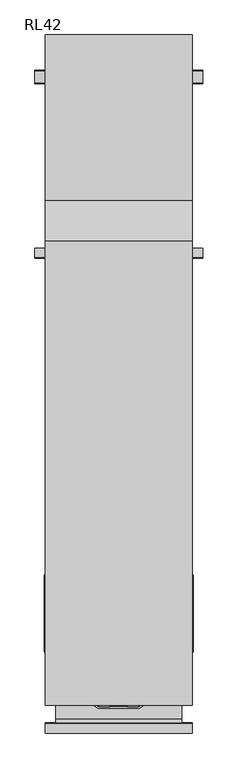
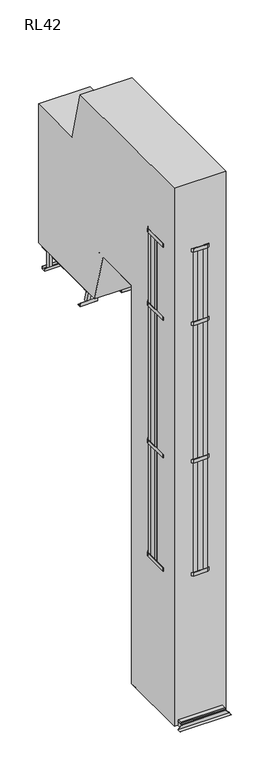
"""IFC4 building model written with IfcOpenShell, lengths in millimetres: proxy geometry, RL42."""

from ifc_helpers import new_model, si_unit, point, frame, frame_2d, origin, origin_with_axes, place, context, project, spatial, polyline, circle_curve, trimmed, segment, composite_curve, outline, extrude, faceted_brep, source, transform, mapped, element, save


def rl42_24e4b4f9(model_context):
    return source(origin(), model_context, "Body", "SolidModel", [
        extrude(outline(polyline([(300.5, -890.5), (-300.5, -890.5), (-300.5, 109.5), (300.5, 109.5), (300.5, -890.5)]), holes=[polyline([(262.5, 71.5), (-262.5, 71.5), (-262.5, -371.5), (262.5, -371.5), (262.5, 71.5)]), polyline([(262.5, -852.5), (262.5, -409.5), (-262.5, -409.5), (-262.5, -852.5), (262.5, -852.5)])]), origin_with_axes(), (0.0, 0.0, 1.0), 58.0),
        faceted_brep([(-350.5, 112.5, 3.0), (-350.5, 109.5, 3.0), (-303.5, 109.5, 50.0), (-303.5, 112.5, 50.0), (350.5, 109.5, 3.0), (350.5, 112.5, 3.0), (303.5, 112.5, 50.0), (303.5, 109.5, 50.0), (350.5, 159.5, 0.0), (350.5, 159.5, 3.0), (350.5, 109.5, 0.0), (-350.5, 159.5, 0.0), (-350.5, 109.5, 0.0), (-350.5, 159.5, 3.0)], [[[0, 1, 2, 3]], [[4, 5, 6, 7]], [[8, 9, 5, 4, 10]], [[11, 12, 1, 0, 13]], [[9, 8, 11, 13]], [[5, 9, 13, 0]], [[5, 0, 3, 6]], [[6, 3, 2, 7]], [[12, 10, 4, 7, 2, 1]], [[8, 10, 12, 11]]]),
        faceted_brep([(-350.5, -890.5, 3.0), (-350.5, -893.5, 3.0), (-303.5, -893.5, 50.0), (-303.5, -890.5, 50.0), (350.5, -893.5, 3.0), (350.5, -890.5, 3.0), (303.5, -890.5, 50.0), (303.5, -893.5, 50.0), (350.5, -940.5, 0.0), (350.5, -890.5, 0.0), (350.5, -940.5, 3.0), (-350.5, -940.5, 0.0), (-350.5, -940.5, 3.0), (-350.5, -890.5, 0.0)], [[[0, 1, 2, 3]], [[4, 5, 6, 7]], [[8, 9, 5, 4, 10]], [[11, 12, 1, 0, 13]], [[9, 8, 11, 13]], [[9, 13, 0, 3, 6, 5]], [[6, 3, 2, 7]], [[1, 4, 7, 2]], [[10, 4, 1, 12]], [[8, 10, 12, 11]]]),
        extrude(outline(polyline([(300.5, 91.5), (300.5, -872.5), (-300.5, -872.5), (-300.5, 91.5), (300.5, 91.5)])), frame((0.0, 0.0, 58.0), z_axis=(0.0, 0.0, 1.0), x_axis=(1.0, 0.0, 0.0)), (0.0, 0.0, 1.0), 18.5),
        extrude(outline(polyline([(300.5, -872.5), (300.5, -890.5), (-300.5, -890.5), (-300.5, -872.5), (300.5, -872.5)])), frame((0.0, 0.0, 58.0), z_axis=(0.0, 0.0, 1.0), x_axis=(1.0, 0.0, 0.0)), (0.0, 0.0, 1.0), 18.5),
        extrude(outline(polyline([(300.5, 109.5), (300.5, 91.5), (-300.5, 91.5), (-300.5, 109.5), (300.5, 109.5)])), frame((0.0, 0.0, 58.0), z_axis=(0.0, 0.0, 1.0), x_axis=(1.0, 0.0, 0.0)), (0.0, 0.0, 1.0), 18.5),
        extrude(outline(polyline([(250.0, 1304.8694762), (250.0, 1286.8694762), (-250.0, 1286.8694762), (-250.0, 1304.8694762), (250.0, 1304.8694762)])), frame((0.0, 0.0, 4981.5), z_axis=(0.0, 0.0, 1.0), x_axis=(1.0, 0.0, 0.0)), (0.0, 0.0, 1.0), 18.5),
        extrude(outline(polyline([(300.5, 1491.1194762), (300.5, 1472.6194762), (-300.5, 1472.6194762), (-300.5, 1491.1194762), (300.5, 1491.1194762)])), frame((0.0, 0.0, 4981.5), z_axis=(0.0, 0.0, 1.0), x_axis=(1.0, 0.0, 0.0)), (0.0, 0.0, 1.0), 18.5),
        extrude(outline(polyline([(250.0, 1472.6194762), (250.0, 1304.8694762), (-250.0, 1304.8694762), (-250.0, 1472.6194762), (250.0, 1472.6194762)])), frame((0.0, 0.0, 4981.5), z_axis=(0.0, 0.0, 1.0), x_axis=(1.0, 0.0, 0.0)), (0.0, 0.0, 1.0), 18.5),
        extrude(outline(polyline([(-262.5, 1360.0196058), (-300.5, 1360.0196058), (-300.5, 2391.8694762), (-262.5, 2391.8694762), (-262.5, 1360.0196058)])), frame((0.0, 0.0, 4923.5), z_axis=(0.0, 0.0, 1.0), x_axis=(1.0, 0.0, 0.0)), (0.0, 0.0, 1.0), 58.0),
        extrude(outline(polyline([(300.5, 1360.0196058), (262.5, 1360.0196058), (262.5, 2391.8694762), (300.5, 2391.8694762), (300.5, 1360.0196058)])), frame((0.0, 0.0, 4923.5), z_axis=(0.0, 0.0, 1.0), x_axis=(1.0, 0.0, 0.0)), (0.0, 0.0, 1.0), 58.0),
        extrude(outline(polyline([(338.5, 2220.8694762), (338.5, 2162.8694762), (300.5, 2162.8694762), (300.5, 2220.8694762), (338.5, 2220.8694762)])), frame((0.0, 0.0, 4753.0), z_axis=(0.0, 0.0, 1.0), x_axis=(1.0, 0.0, 0.0)), (0.0, 0.0, 1.0), 240.0),
        extrude(outline(polyline([(-300.5, 2220.8694762), (-300.5, 2162.8694762), (-338.5, 2162.8694762), (-338.5, 2220.8694762), (-300.5, 2220.8694762)])), frame((0.0, 0.0, 4753.0), z_axis=(0.0, 0.0, 1.0), x_axis=(1.0, 0.0, 0.0)), (0.0, 0.0, 1.0), 240.0),
        extrude(outline(polyline([(300.5, 2391.8694762), (300.5, 2373.3694762), (-300.5, 2373.3694762), (-300.5, 2391.8694762), (300.5, 2391.8694762)])), frame((0.0, 0.0, 4981.5), z_axis=(0.0, 0.0, 1.0), x_axis=(1.0, 0.0, 0.0)), (0.0, 0.0, 1.0), 18.5),
        extrude(outline(polyline([(2221.3694762, 4788.0), (2224.3694762, 4788.0), (2224.3694762, 4750.0), (2159.3694762, 4750.0), (2159.3694762, 4788.0), (2162.3694762, 4788.0), (2162.3694762, 4753.0), (2221.3694762, 4753.0), (2221.3694762, 4788.0)])), frame((-400.5, 0.0, 0.0), z_axis=(1.0, 0.0, 0.0), x_axis=(0.0, 1.0, 0.0)), (0.0, 0.0, 1.0), 801.0),
        extrude(outline(polyline([(300.5, 2372.8694762), (300.5, 1491.1194762), (-300.5, 1491.1194762), (-300.5, 2372.8694762), (300.5, 2372.8694762)])), frame((0.0, 0.0, 4981.5), z_axis=(0.0, 0.0, 1.0), x_axis=(1.0, 0.0, 0.0)), (0.0, 0.0, 1.0), 18.5),
        extrude(outline(composite_curve([segment(trimmed(circle_curve(frame_2d((1389.0731956, 4933.5)), 6.0), [point((1395.0731956, 4933.5))], [point((1389.0731956, 4927.5))], False, "CARTESIAN"), True, "CONTINUOUS"), segment(polyline([(1389.0731956, 4927.5), (1340.0196058, 4927.5)]), True, "CONTINUOUS"), segment(trimmed(circle_curve(frame_2d((1340.0196058, 4952.5)), 25.0), [point((1340.0196058, 4927.5))], [point((1340.0196058, 4977.5))], False, "CARTESIAN"), True, "CONTINUOUS"), segment(polyline([(1340.0196058, 4977.5), (1389.0731956, 4977.5)]), True, "CONTINUOUS"), segment(trimmed(circle_curve(frame_2d((1389.0731956, 4971.5)), 6.0), [point((1389.0731956, 4977.5))], [point((1395.0731956, 4971.5))], False, "CARTESIAN"), True, "CONTINUOUS"), segment(polyline([(1395.0731956, 4971.5), (1395.0731956, 4933.5)]), True, "CONTINUOUS")], self_intersect=False)), frame((-306.5, 0.0, 0.0), z_axis=(1.0, 0.0, 0.0), x_axis=(0.0, 1.0, 0.0)), (0.0, 0.0, 1.0), 6.0),
        extrude(outline(composite_curve([segment(trimmed(circle_curve(frame_2d((1389.0731956, 4933.5)), 6.0), [point((1395.0731956, 4933.5))], [point((1389.0731956, 4927.5))], False, "CARTESIAN"), True, "CONTINUOUS"), segment(polyline([(1389.0731956, 4927.5), (1340.0196058, 4927.5)]), True, "CONTINUOUS"), segment(trimmed(circle_curve(frame_2d((1340.0196058, 4952.5)), 25.0), [point((1340.0196058, 4927.5))], [point((1340.0196058, 4977.5))], False, "CARTESIAN"), True, "CONTINUOUS"), segment(polyline([(1340.0196058, 4977.5), (1389.0731956, 4977.5)]), True, "CONTINUOUS"), segment(trimmed(circle_curve(frame_2d((1389.0731956, 4971.5)), 6.0), [point((1389.0731956, 4977.5))], [point((1395.0731956, 4971.5))], False, "CARTESIAN"), True, "CONTINUOUS"), segment(polyline([(1395.0731956, 4971.5), (1395.0731956, 4933.5)]), True, "CONTINUOUS")], self_intersect=False)), frame((300.5, 0.0, 0.0), z_axis=(1.0, 0.0, 0.0), x_axis=(0.0, 1.0, 0.0)), (0.0, 0.0, 1.0), 6.0),
        extrude(outline(polyline([(262.5, 1534.8694762), (262.5, 1476.8694762), (-262.5, 1476.8694762), (-262.5, 1534.8694762), (262.5, 1534.8694762)])), frame((0.0, 0.0, 4943.5), z_axis=(0.0, 0.0, 1.0), x_axis=(1.0, 0.0, 0.0)), (0.0, 0.0, 1.0), 38.0),
        extrude(outline(polyline([(262.5, 1958.8694762), (262.5, 1900.8694762), (-262.5, 1900.8694762), (-262.5, 1958.8694762), (262.5, 1958.8694762)])), frame((0.0, 0.0, 4943.5), z_axis=(0.0, 0.0, 1.0), x_axis=(1.0, 0.0, 0.0)), (0.0, 0.0, 1.0), 38.0),
        extrude(outline(polyline([(262.5, 2381.8694762), (262.5, 2323.8694762), (-262.5, 2323.8694762), (-262.5, 2381.8694762), (262.5, 2381.8694762)])), frame((0.0, 0.0, 4943.5), z_axis=(0.0, 0.0, 1.0), x_axis=(1.0, 0.0, 0.0)), (0.0, 0.0, 1.0), 38.0),
        extrude(outline(composite_curve([segment(polyline([(1212.725111, 5428.6438625), (1169.2584488, 5416.9970054), (1164.8585251, 5433.4177445)]), True, "CONTINUOUS"), segment(trimmed(circle_curve(frame_2d((1189.9490378, 5426.7120005)), 25.9711538), [point((1164.8585251, 5433.4177445))], [point((1208.3251872, 5445.0646015))], False, "CARTESIAN"), True, "CONTINUOUS"), segment(polyline([(1208.3251872, 5445.0646015), (1212.725111, 5428.6438625)]), True, "CONTINUOUS")], self_intersect=False)), frame((-262.5, 0.0, 0.0), z_axis=(1.0, 0.0, 0.0), x_axis=(0.0, 1.0, 0.0)), (0.0, 0.0, 1.0), 525.0),
        extrude(outline(composite_curve([segment(polyline([(1285.9293103, 5155.4420712), (1242.4626482, 5143.7952142), (1238.0627244, 5160.2159532)]), True, "CONTINUOUS"), segment(trimmed(circle_curve(frame_2d((1263.1532371, 5153.5102093)), 25.9711538), [point((1238.0627244, 5160.2159532))], [point((1281.5293866, 5171.8628103))], False, "CARTESIAN"), True, "CONTINUOUS"), segment(polyline([(1281.5293866, 5171.8628103), (1285.9293103, 5155.4420712)]), True, "CONTINUOUS")], self_intersect=False)), frame((-262.5, 0.0, 0.0), z_axis=(1.0, 0.0, 0.0), x_axis=(0.0, 1.0, 0.0)), (0.0, 0.0, 1.0), 525.0),
        extrude(outline(composite_curve([segment(polyline([(1139.5209117, 5701.8456537), (1096.0542495, 5690.1987967), (1091.6543257, 5706.6195357)]), True, "CONTINUOUS"), segment(trimmed(circle_curve(frame_2d((1116.7448385, 5699.9137918)), 25.9711538), [point((1091.6543257, 5706.6195357))], [point((1135.1209879, 5718.2663928))], False, "CARTESIAN"), True, "CONTINUOUS"), segment(polyline([(1135.1209879, 5718.2663928), (1139.5209117, 5701.8456537)]), True, "CONTINUOUS")], self_intersect=False)), frame((-262.5, 0.0, 0.0), z_axis=(1.0, 0.0, 0.0), x_axis=(0.0, 1.0, 0.0)), (0.0, 0.0, 1.0), 525.0),
        extrude(outline(composite_curve([segment(polyline([(1359.1335097, 4882.24028), (1315.6668475, 4870.5934229), (1311.2669237, 4887.014162)]), True, "CONTINUOUS"), segment(trimmed(circle_curve(frame_2d((1336.3574365, 4880.308418)), 25.9711538), [point((1311.2669237, 4887.014162))], [point((1354.7335859, 4898.661019))], False, "CARTESIAN"), True, "CONTINUOUS"), segment(polyline([(1354.7335859, 4898.661019), (1359.1335097, 4882.24028)]), True, "CONTINUOUS")], self_intersect=False)), frame((-262.5, 0.0, 0.0), z_axis=(1.0, 0.0, 0.0), x_axis=(0.0, 1.0, 0.0)), (0.0, 0.0, 1.0), 525.0),
        extrude(outline(polyline([(-38.0, 0.0), (0.0, 0.0), (0.0, -58.0000001), (-38.0, -58.0000001), (-38.0, 0.0)])), frame((-262.5, 1396.470313, 4768.0115046), z_axis=(0.0, -0.258819045102523, 0.9659258262890678), x_axis=(1.0, 0.0, 0.0)), (0.0, 0.0, 1.0), 2048.5179208),
        extrude(outline(polyline([(-38.0, 0.0), (0.0, 0.0), (0.0, -58.0000001), (-38.0, -58.0000001), (-38.0, 0.0)])), frame((300.5, 1396.470313, 4768.0115046), z_axis=(0.0, -0.258819045102523, 0.9659258262890678), x_axis=(1.0, 0.0, 0.0)), (0.0, 0.0, 1.0), 2048.5179208),
        extrude(outline(composite_curve([segment(polyline([(1044.4694194, 5658.8687928), (1044.4694194, 5696.8687928)]), True, "CONTINUOUS"), segment(trimmed(circle_curve(frame_2d((1050.4694194, 5696.8687928)), 6.0), [point((1044.4694194, 5696.8687928))], [point((1050.4694194, 5702.8687928))], False, "CARTESIAN"), True, "CONTINUOUS"), segment(polyline([(1050.4694194, 5702.8687928), (1099.5230092, 5702.8687928)]), True, "CONTINUOUS"), segment(trimmed(circle_curve(frame_2d((1099.5230092, 5677.8687928)), 25.0), [point((1099.5230092, 5702.8687928))], [point((1099.5230092, 5652.8687928))], False, "CARTESIAN"), True, "CONTINUOUS"), segment(polyline([(1099.5230092, 5652.8687928), (1050.4694194, 5652.8687928)]), True, "CONTINUOUS"), segment(trimmed(circle_curve(frame_2d((1050.4694194, 5658.8687928)), 6.0), [point((1050.4694194, 5652.8687928))], [point((1044.4694194, 5658.8687928))], False, "CARTESIAN"), True, "CONTINUOUS")], self_intersect=False)), frame((-306.0, 0.0, 0.0), z_axis=(1.0, 0.0, 0.0), x_axis=(0.0, 1.0, 0.0)), (0.0, 0.0, 1.0), 6.0),
        extrude(outline(composite_curve([segment(trimmed(circle_curve(frame_2d((1050.4694194, 5696.8687928)), 6.0), [point((1044.4694194, 5696.8687928))], [point((1050.4694194, 5702.8687928))], False, "CARTESIAN"), True, "CONTINUOUS"), segment(polyline([(1050.4694194, 5702.8687928), (1099.5230092, 5702.8687928)]), True, "CONTINUOUS"), segment(trimmed(circle_curve(frame_2d((1099.5230092, 5677.8687928)), 25.0), [point((1099.5230092, 5702.8687928))], [point((1099.5230092, 5652.8687928))], False, "CARTESIAN"), True, "CONTINUOUS"), segment(polyline([(1099.5230092, 5652.8687928), (1050.4694194, 5652.8687928)]), True, "CONTINUOUS"), segment(trimmed(circle_curve(frame_2d((1050.4694194, 5658.8687928)), 6.0), [point((1050.4694194, 5652.8687928))], [point((1044.4694194, 5658.8687928))], False, "CARTESIAN"), True, "CONTINUOUS"), segment(polyline([(1044.4694194, 5658.8687928), (1044.4694194, 5696.8687928)]), True, "CONTINUOUS")], self_intersect=False)), frame((300.0, 0.0, 0.0), z_axis=(1.0, 0.0, 0.0), x_axis=(0.0, 1.0, 0.0)), (0.0, 0.0, 1.0), 6.0),
        extrude(outline(composite_curve([segment(trimmed(circle_curve(frame_2d((-20.0, 5677.8687928)), 25.0), [point((-20.0, 5652.8687928))], [point((-20.0, 5702.8687928))], False, "CARTESIAN"), True, "CONTINUOUS"), segment(polyline([(-20.0, 5702.8687928), (29.0535898, 5702.8687928)]), True, "CONTINUOUS"), segment(trimmed(circle_curve(frame_2d((29.0535898, 5696.8687928)), 6.0), [point((29.0535898, 5702.8687928))], [point((35.0535898, 5696.8687928))], False, "CARTESIAN"), True, "CONTINUOUS"), segment(polyline([(35.0535898, 5696.8687928), (35.0535898, 5658.8687928)]), True, "CONTINUOUS"), segment(trimmed(circle_curve(frame_2d((29.0535898, 5658.8687928)), 6.0), [point((35.0535898, 5658.8687928))], [point((29.0535898, 5652.8687928))], False, "CARTESIAN"), True, "CONTINUOUS"), segment(polyline([(29.0535898, 5652.8687928), (-20.0, 5652.8687928)]), True, "CONTINUOUS")], self_intersect=False)), frame((-306.0, 0.0, 0.0), z_axis=(1.0, 0.0, 0.0), x_axis=(0.0, 1.0, 0.0)), (0.0, 0.0, 1.0), 6.0),
        extrude(outline(composite_curve([segment(trimmed(circle_curve(frame_2d((-20.0, 5677.8687928)), 25.0), [point((-20.0, 5652.8687928))], [point((-20.0, 5702.8687928))], False, "CARTESIAN"), True, "CONTINUOUS"), segment(polyline([(-20.0, 5702.8687928), (29.0535898, 5702.8687928)]), True, "CONTINUOUS"), segment(trimmed(circle_curve(frame_2d((29.0535898, 5696.8687928)), 6.0), [point((29.0535898, 5702.8687928))], [point((35.0535898, 5696.8687928))], False, "CARTESIAN"), True, "CONTINUOUS"), segment(polyline([(35.0535898, 5696.8687928), (35.0535898, 5658.8687928)]), True, "CONTINUOUS"), segment(trimmed(circle_curve(frame_2d((29.0535898, 5658.8687928)), 6.0), [point((35.0535898, 5658.8687928))], [point((29.0535898, 5652.8687928))], False, "CARTESIAN"), True, "CONTINUOUS"), segment(polyline([(29.0535898, 5652.8687928), (-20.0, 5652.8687928)]), True, "CONTINUOUS")], self_intersect=False)), frame((300.0, 0.0, 0.0), z_axis=(1.0, 0.0, 0.0), x_axis=(0.0, 1.0, 0.0)), (0.0, 0.0, 1.0), 6.0),
        extrude(outline(polyline([(-300.0, 30.0), (-300.0, 48.4), (300.0, 48.4), (300.0, 30.0), (-300.0, 30.0)])), frame((0.0, 0.0, 5706.5), z_axis=(0.0, 0.0, 1.0), x_axis=(1.0, 0.0, 0.0)), (0.0, 0.0, 1.0), 18.5),
        extrude(outline(polyline([(-300.0, 986.1290032), (-300.0, 1004.5290032), (300.0, 1004.5290032), (300.0, 986.1290032), (-300.0, 986.1290032)])), frame((0.0, 0.0, 5706.5), z_axis=(0.0, 0.0, 1.0), x_axis=(1.0, 0.0, 0.0)), (0.0, 0.0, 1.0), 18.5),
        extrude(outline(polyline([(1374.853003, 4753.0), (1374.853003, 4750.0), (1324.853003, 4750.0), (1324.853003, 4800.0), (1327.853003, 4800.0), (1327.853003, 4753.0), (1374.853003, 4753.0)])), frame((-400.5, 0.0, 0.0), z_axis=(1.0, 0.0, 0.0), x_axis=(0.0, 1.0, 0.0)), (0.0, 0.0, 1.0), 238.0),
        extrude(outline(polyline([(1374.853003, 4753.0), (1374.853003, 4750.0), (1324.853003, 4750.0), (1324.853003, 4800.0), (1327.853003, 4800.0), (1327.853003, 4753.0), (1374.853003, 4753.0)])), frame((162.5, 0.0, 0.0), z_axis=(1.0, 0.0, 0.0), x_axis=(0.0, 1.0, 0.0)), (0.0, 0.0, 1.0), 238.0),
        extrude(outline(polyline([(300.0, 0.0), (262.0, 0.0), (262.0, 947.9025997), (300.0, 947.9025997), (300.0, 0.0)])), frame((0.0, 0.0, 6160.9942094), z_axis=(0.0, 0.0, 1.0), x_axis=(1.0, 0.0, 0.0)), (0.0, 0.0, 1.0), 57.0),
        extrude(outline(polyline([(300.0, 0.0), (262.0, 0.0), (262.0, 812.0508076), (300.0, 812.0508076), (300.0, 0.0)])), frame((0.0, 0.0, 6668.0), z_axis=(0.0, 0.0, 1.0), x_axis=(1.0, 0.0, 0.0)), (0.0, 0.0, 1.0), 57.0),
        extrude(outline(polyline([(-262.0, 0.0), (-300.0, 0.0), (-300.0, 812.0508076), (-262.0, 812.0508076), (-262.0, 0.0)])), frame((0.0, 0.0, 6668.0), z_axis=(0.0, 0.0, 1.0), x_axis=(1.0, 0.0, 0.0)), (0.0, 0.0, 1.0), 57.0),
        extrude(outline(polyline([(-262.0, 0.0), (-300.0, 0.0), (-300.0, 947.9025997), (-262.0, 947.9025997), (-262.0, 0.0)])), frame((0.0, 0.0, 6160.9942094), z_axis=(0.0, 0.0, 1.0), x_axis=(1.0, 0.0, 0.0)), (0.0, 0.0, 1.0), 57.0),
        extrude(outline(polyline([(-300.0, 986.1290032), (300.0, 986.1290032), (300.0, 48.4), (-300.0, 48.4), (-300.0, 986.1290032)])), frame((0.0, 0.0, 5706.5), z_axis=(0.0, 0.0, 1.0), x_axis=(1.0, 0.0, 0.0)), (0.0, 0.0, 1.0), 18.5),
        extrude(outline(polyline([(262.0, 1079.5230092), (300.0, 1079.5230092), (300.0, 0.0), (-300.0, 0.0), (-300.0, 1079.5230092), (-262.0, 1079.5230092), (-262.0, 38.0), (262.0, 38.0), (262.0, 1079.5230092)])), frame((0.0, 0.0, 5649.2375855), z_axis=(0.0, 0.0, 1.0), x_axis=(1.0, 0.0, 0.0)), (0.0, 0.0, 1.0), 57.2624145),
        extrude(outline(polyline([(-262.0, 933.7615046), (-262.0, 991.7615046), (262.0, 991.7615046), (262.0, 933.7615046), (-262.0, 933.7615046)])), frame((0.0, 0.0, 5668.5), z_axis=(0.0, 0.0, 1.0), x_axis=(1.0, 0.0, 0.0)), (0.0, 0.0, 1.0), 38.0),
        extrude(outline(polyline([(-262.0, 510.7615046), (-262.0, 568.7615046), (262.0, 568.7615046), (262.0, 510.7615046), (-262.0, 510.7615046)])), frame((0.0, 0.0, 5668.5), z_axis=(0.0, 0.0, 1.0), x_axis=(1.0, 0.0, 0.0)), (0.0, 0.0, 1.0), 38.0),
        extrude(outline(polyline([(-350.5, -400.6413289), (-350.5, -350.6413289), (-338.5, -350.6413289), (-338.5, -400.6413289), (-350.5, -400.6413289)])), frame((0.0, 0.0, 2076.5), z_axis=(0.0, 0.0, 1.0), x_axis=(1.0, 0.0, 0.0)), (0.0, 0.0, 1.0), 4698.5),
        extrude(outline(polyline([(-350.5, -245.5), (-350.5, -195.5), (-338.5, -195.5), (-338.5, -245.5), (-350.5, -245.5)])), frame((0.0, 0.0, 2076.5), z_axis=(0.0, 0.0, 1.0), x_axis=(1.0, 0.0, 0.0)), (0.0, 0.0, 1.0), 4698.5),
        extrude(outline(polyline([(-100.0, -822.5), (-250.5, -722.5), (-356.5, -552.5), (-356.5, -188.7646621), (-306.0, -108.7646621), (-306.0, -5.5), (-300.0, -5.5), (-300.0, -110.5), (-350.5, -190.5), (-350.5, -550.7826578), (-246.0965631, -718.2221321), (-98.1883719, -816.5), (98.1883719, -816.5), (246.0965631, -718.2221321), (350.5, -550.7826578), (350.5, -190.5), (300.0, -110.5), (300.0, -5.5), (306.0, -5.5), (306.0, -108.7646621), (356.5, -188.7646621), (356.5, -552.5), (250.5, -722.5), (100.0, -822.5), (-100.0, -822.5)])), frame((0.0, 0.0, 3700.75), z_axis=(0.0, 0.0, 1.0), x_axis=(1.0, 0.0, 0.0)), (0.0, 0.0, 1.0), 50.0),
        extrude(outline(polyline([(-100.0, -822.5), (-250.5, -722.5), (-356.5, -552.5), (-356.5, -188.7646621), (-306.0, -108.7646621), (-306.0, -5.5), (-300.0, -5.5), (-300.0, -110.5), (-350.5, -190.5), (-350.5, -550.7826578), (-246.0965631, -718.2221321), (-98.1883719, -816.5), (98.1883719, -816.5), (246.0965631, -718.2221321), (350.5, -550.7826578), (350.5, -190.5), (300.0, -110.5), (300.0, -5.5), (306.0, -5.5), (306.0, -108.7646621), (356.5, -188.7646621), (356.5, -552.5), (250.5, -722.5), (100.0, -822.5), (-100.0, -822.5)])), frame((0.0, 0.0, 5675.0), z_axis=(0.0, 0.0, 1.0), x_axis=(1.0, 0.0, 0.0)), (0.0, 0.0, 1.0), 50.0),
        extrude(outline(polyline([(-100.0, -822.5), (-250.5, -722.5), (-356.5, -552.5), (-356.5, -188.7646621), (-306.0, -108.7646621), (-306.0, -5.5), (-300.0, -5.5), (-300.0, -110.5), (-350.5, -190.5), (-350.5, -550.7826578), (-246.0965631, -718.2221321), (-98.1883719, -816.5), (98.1883719, -816.5), (246.0965631, -718.2221321), (350.5, -550.7826578), (350.5, -190.5), (300.0, -110.5), (300.0, -5.5), (306.0, -5.5), (306.0, -108.7646621), (356.5, -188.7646621), (356.5, -552.5), (250.5, -722.5), (100.0, -822.5), (-100.0, -822.5)])), frame((0.0, 0.0, 2076.5), z_axis=(0.0, 0.0, 1.0), x_axis=(1.0, 0.0, 0.0)), (0.0, 0.0, 1.0), 50.0),
        extrude(outline(polyline([(-93.1883719, -816.5), (-93.1883719, -804.5), (-43.1883719, -804.5), (-43.1883719, -816.5), (-93.1883719, -816.5)])), frame((0.0, 0.0, 2076.5), z_axis=(0.0, 0.0, 1.0), x_axis=(1.0, 0.0, 0.0)), (0.0, 0.0, 1.0), 4698.5),
        extrude(outline(polyline([(-311.2167249, -591.1041694), (-321.399429, -597.4533849), (-347.8544935, -555.0254512), (-337.6717895, -548.6762357), (-311.2167249, -591.1041694)])), frame((0.0, 0.0, 2076.5), z_axis=(0.0, 0.0, 1.0), x_axis=(1.0, 0.0, 0.0)), (0.0, 0.0, 1.0), 4698.5),
        extrude(outline(polyline([(-200.2870228, -748.6603648), (-241.9320595, -720.9892441), (-235.2909905, -710.9944353), (-193.6459538, -738.665556), (-200.2870228, -748.6603648)])), frame((0.0, 0.0, 2076.5), z_axis=(0.0, 0.0, 1.0), x_axis=(1.0, 0.0, 0.0)), (0.0, 0.0, 1.0), 4698.5),
        extrude(outline(polyline([(93.1883719, -816.5), (43.1883719, -816.5), (43.1883719, -804.5), (93.1883719, -804.5), (93.1883719, -816.5)])), frame((0.0, 0.0, 2076.5), z_axis=(0.0, 0.0, 1.0), x_axis=(1.0, 0.0, 0.0)), (0.0, 0.0, 1.0), 4698.5),
        extrude(outline(polyline([(311.2167249, -591.1041694), (337.6717895, -548.6762357), (347.8544935, -555.0254512), (321.399429, -597.4533849), (311.2167249, -591.1041694)])), frame((0.0, 0.0, 2076.5), z_axis=(0.0, 0.0, 1.0), x_axis=(1.0, 0.0, 0.0)), (0.0, 0.0, 1.0), 4698.5),
        extrude(outline(polyline([(200.2870228, -748.6603648), (193.6459538, -738.665556), (235.2909905, -710.9944353), (241.9320595, -720.9892441), (200.2870228, -748.6603648)])), frame((0.0, 0.0, 2076.5), z_axis=(0.0, 0.0, 1.0), x_axis=(1.0, 0.0, 0.0)), (0.0, 0.0, 1.0), 4698.5),
        extrude(outline(polyline([(350.5, -400.6413289), (338.5, -400.6413289), (338.5, -350.6413289), (350.5, -350.6413289), (350.5, -400.6413289)])), frame((0.0, 0.0, 2076.5), z_axis=(0.0, 0.0, 1.0), x_axis=(1.0, 0.0, 0.0)), (0.0, 0.0, 1.0), 4698.5),
        extrude(outline(polyline([(350.5, -245.5), (338.5, -245.5), (338.5, -195.5), (350.5, -195.5), (350.5, -245.5)])), frame((0.0, 0.0, 2076.5), z_axis=(0.0, 0.0, 1.0), x_axis=(1.0, 0.0, 0.0)), (0.0, 0.0, 1.0), 4698.5),
        extrude(outline(polyline([(-100.0, -822.5), (-250.5, -722.5), (-356.5, -552.5), (-356.5, -188.7646621), (-306.0, -108.7646621), (-306.0, -5.5), (-300.0, -5.5), (-300.0, -110.5), (-350.5, -190.5), (-350.5, -550.7826578), (-246.0965631, -718.2221321), (-98.1883719, -816.5), (98.1883719, -816.5), (246.0965631, -718.2221321), (350.5, -550.7826578), (350.5, -190.5), (300.0, -110.5), (300.0, -5.5), (306.0, -5.5), (306.0, -108.7646621), (356.5, -188.7646621), (356.5, -552.5), (250.5, -722.5), (100.0, -822.5), (-100.0, -822.5)])), frame((0.0, 0.0, 6725.0), z_axis=(0.0, 0.0, 1.0), x_axis=(1.0, 0.0, 0.0)), (0.0, 0.0, 1.0), 50.0),
        extrude(outline(composite_curve([segment(polyline([(-53.0, 5405.7631579), (-53.0, 5422.7631579)]), True, "CONTINUOUS"), segment(trimmed(circle_curve(frame_2d((-30.5, 5409.792004)), 25.9711538), [point((-53.0, 5422.7631579))], [point((-8.0, 5422.7631579))], False, "CARTESIAN"), True, "CONTINUOUS"), segment(polyline([(-8.0, 5422.7631579), (-8.0, 5405.7631579), (-53.0, 5405.7631579)]), True, "CONTINUOUS")], self_intersect=False)), frame((-262.0, 0.0, 0.0), z_axis=(1.0, 0.0, 0.0), x_axis=(0.0, 1.0, 0.0)), (0.0, 0.0, 1.0), 524.0),
        extrude(outline(composite_curve([segment(polyline([(-53.0, 5116.5263158), (-53.0, 5133.5263158)]), True, "CONTINUOUS"), segment(trimmed(circle_curve(frame_2d((-30.5, 5120.5551619)), 25.9711538), [point((-53.0, 5133.5263158))], [point((-8.0, 5133.5263158))], False, "CARTESIAN"), True, "CONTINUOUS"), segment(polyline([(-8.0, 5133.5263158), (-8.0, 5116.5263158), (-53.0, 5116.5263158)]), True, "CONTINUOUS")], self_intersect=False)), frame((-262.0, 0.0, 0.0), z_axis=(1.0, 0.0, 0.0), x_axis=(0.0, 1.0, 0.0)), (0.0, 0.0, 1.0), 524.0),
        extrude(outline(composite_curve([segment(polyline([(-53.0, 4827.2894737), (-53.0, 4844.2894737)]), True, "CONTINUOUS"), segment(trimmed(circle_curve(frame_2d((-30.5, 4831.3183198)), 25.9711538), [point((-53.0, 4844.2894737))], [point((-8.0, 4844.2894737))], False, "CARTESIAN"), True, "CONTINUOUS"), segment(polyline([(-8.0, 4844.2894737), (-8.0, 4827.2894737), (-53.0, 4827.2894737)]), True, "CONTINUOUS")], self_intersect=False)), frame((-262.0, 0.0, 0.0), z_axis=(1.0, 0.0, 0.0), x_axis=(0.0, 1.0, 0.0)), (0.0, 0.0, 1.0), 524.0),
        extrude(outline(composite_curve([segment(polyline([(-53.0, 4538.0526316), (-53.0, 4555.0526316)]), True, "CONTINUOUS"), segment(trimmed(circle_curve(frame_2d((-30.5, 4542.0814777)), 25.9711538), [point((-53.0, 4555.0526316))], [point((-8.0, 4555.0526316))], False, "CARTESIAN"), True, "CONTINUOUS"), segment(polyline([(-8.0, 4555.0526316), (-8.0, 4538.0526316), (-53.0, 4538.0526316)]), True, "CONTINUOUS")], self_intersect=False)), frame((-262.0, 0.0, 0.0), z_axis=(1.0, 0.0, 0.0), x_axis=(0.0, 1.0, 0.0)), (0.0, 0.0, 1.0), 524.0),
        extrude(outline(composite_curve([segment(polyline([(-53.0, 4248.8157895), (-53.0, 4265.8157895)]), True, "CONTINUOUS"), segment(trimmed(circle_curve(frame_2d((-30.5, 4252.8446356)), 25.9711538), [point((-53.0, 4265.8157895))], [point((-8.0, 4265.8157895))], False, "CARTESIAN"), True, "CONTINUOUS"), segment(polyline([(-8.0, 4265.8157895), (-8.0, 4248.8157895), (-53.0, 4248.8157895)]), True, "CONTINUOUS")], self_intersect=False)), frame((-262.0, 0.0, 0.0), z_axis=(1.0, 0.0, 0.0), x_axis=(0.0, 1.0, 0.0)), (0.0, 0.0, 1.0), 524.0),
        extrude(outline(composite_curve([segment(polyline([(-53.0, 3959.5789474), (-53.0, 3976.5789474)]), True, "CONTINUOUS"), segment(trimmed(circle_curve(frame_2d((-30.5, 3963.6077935)), 25.9711538), [point((-53.0, 3976.5789474))], [point((-8.0, 3976.5789474))], False, "CARTESIAN"), True, "CONTINUOUS"), segment(polyline([(-8.0, 3976.5789474), (-8.0, 3959.5789474), (-53.0, 3959.5789474)]), True, "CONTINUOUS")], self_intersect=False)), frame((-262.0, 0.0, 0.0), z_axis=(1.0, 0.0, 0.0), x_axis=(0.0, 1.0, 0.0)), (0.0, 0.0, 1.0), 524.0),
        extrude(outline(composite_curve([segment(polyline([(-53.0, 3670.3421053), (-53.0, 3687.3421053)]), True, "CONTINUOUS"), segment(trimmed(circle_curve(frame_2d((-30.5, 3674.3709514)), 25.9711538), [point((-53.0, 3687.3421053))], [point((-8.0, 3687.3421053))], False, "CARTESIAN"), True, "CONTINUOUS"), segment(polyline([(-8.0, 3687.3421053), (-8.0, 3670.3421053), (-53.0, 3670.3421053)]), True, "CONTINUOUS")], self_intersect=False)), frame((-262.0, 0.0, 0.0), z_axis=(1.0, 0.0, 0.0), x_axis=(0.0, 1.0, 0.0)), (0.0, 0.0, 1.0), 524.0),
        extrude(outline(composite_curve([segment(polyline([(-53.0, 3381.1052632), (-53.0, 3398.1052632)]), True, "CONTINUOUS"), segment(trimmed(circle_curve(frame_2d((-30.5, 3385.1341093)), 25.9711538), [point((-53.0, 3398.1052632))], [point((-8.0, 3398.1052632))], False, "CARTESIAN"), True, "CONTINUOUS"), segment(polyline([(-8.0, 3398.1052632), (-8.0, 3381.1052632), (-53.0, 3381.1052632)]), True, "CONTINUOUS")], self_intersect=False)), frame((-262.0, 0.0, 0.0), z_axis=(1.0, 0.0, 0.0), x_axis=(0.0, 1.0, 0.0)), (0.0, 0.0, 1.0), 524.0),
        extrude(outline(composite_curve([segment(polyline([(-53.0, 3091.8684211), (-53.0, 3108.8684211)]), True, "CONTINUOUS"), segment(trimmed(circle_curve(frame_2d((-30.5, 3095.8972672)), 25.9711538), [point((-53.0, 3108.8684211))], [point((-8.0, 3108.8684211))], False, "CARTESIAN"), True, "CONTINUOUS"), segment(polyline([(-8.0, 3108.8684211), (-8.0, 3091.8684211), (-53.0, 3091.8684211)]), True, "CONTINUOUS")], self_intersect=False)), frame((-262.0, 0.0, 0.0), z_axis=(1.0, 0.0, 0.0), x_axis=(0.0, 1.0, 0.0)), (0.0, 0.0, 1.0), 524.0),
        extrude(outline(composite_curve([segment(polyline([(-53.0, 2802.6315789), (-53.0, 2819.6315789)]), True, "CONTINUOUS"), segment(trimmed(circle_curve(frame_2d((-30.5, 2806.6604251)), 25.9711538), [point((-53.0, 2819.6315789))], [point((-8.0, 2819.6315789))], False, "CARTESIAN"), True, "CONTINUOUS"), segment(polyline([(-8.0, 2819.6315789), (-8.0, 2802.6315789), (-53.0, 2802.6315789)]), True, "CONTINUOUS")], self_intersect=False)), frame((-262.0, 0.0, 0.0), z_axis=(1.0, 0.0, 0.0), x_axis=(0.0, 1.0, 0.0)), (0.0, 0.0, 1.0), 524.0),
        extrude(outline(composite_curve([segment(polyline([(-53.0, 2513.3947368), (-53.0, 2530.3947368)]), True, "CONTINUOUS"), segment(trimmed(circle_curve(frame_2d((-30.5, 2517.423583)), 25.9711538), [point((-53.0, 2530.3947368))], [point((-8.0, 2530.3947368))], False, "CARTESIAN"), True, "CONTINUOUS"), segment(polyline([(-8.0, 2530.3947368), (-8.0, 2513.3947368), (-53.0, 2513.3947368)]), True, "CONTINUOUS")], self_intersect=False)), frame((-262.0, 0.0, 0.0), z_axis=(1.0, 0.0, 0.0), x_axis=(0.0, 1.0, 0.0)), (0.0, 0.0, 1.0), 524.0),
        extrude(outline(composite_curve([segment(polyline([(-53.0, 2224.1578947), (-53.0, 2241.1578947)]), True, "CONTINUOUS"), segment(trimmed(circle_curve(frame_2d((-30.5, 2228.1867409)), 25.9711538), [point((-53.0, 2241.1578947))], [point((-8.0, 2241.1578947))], False, "CARTESIAN"), True, "CONTINUOUS"), segment(polyline([(-8.0, 2241.1578947), (-8.0, 2224.1578947), (-53.0, 2224.1578947)]), True, "CONTINUOUS")], self_intersect=False)), frame((-262.0, 0.0, 0.0), z_axis=(1.0, 0.0, 0.0), x_axis=(0.0, 1.0, 0.0)), (0.0, 0.0, 1.0), 524.0),
        extrude(outline(composite_curve([segment(polyline([(-53.0, 1934.9210526), (-53.0, 1951.9210526)]), True, "CONTINUOUS"), segment(trimmed(circle_curve(frame_2d((-30.5, 1938.9498988)), 25.9711538), [point((-53.0, 1951.9210526))], [point((-8.0, 1951.9210526))], False, "CARTESIAN"), True, "CONTINUOUS"), segment(polyline([(-8.0, 1951.9210526), (-8.0, 1934.9210526), (-53.0, 1934.9210526)]), True, "CONTINUOUS")], self_intersect=False)), frame((-262.0, 0.0, 0.0), z_axis=(1.0, 0.0, 0.0), x_axis=(0.0, 1.0, 0.0)), (0.0, 0.0, 1.0), 524.0),
        extrude(outline(composite_curve([segment(polyline([(-53.0, 1645.6842105), (-53.0, 1662.6842105)]), True, "CONTINUOUS"), segment(trimmed(circle_curve(frame_2d((-30.5, 1649.7130567)), 25.9711538), [point((-53.0, 1662.6842105))], [point((-8.0, 1662.6842105))], False, "CARTESIAN"), True, "CONTINUOUS"), segment(polyline([(-8.0, 1662.6842105), (-8.0, 1645.6842105), (-53.0, 1645.6842105)]), True, "CONTINUOUS")], self_intersect=False)), frame((-262.0, 0.0, 0.0), z_axis=(1.0, 0.0, 0.0), x_axis=(0.0, 1.0, 0.0)), (0.0, 0.0, 1.0), 524.0),
        extrude(outline(composite_curve([segment(polyline([(-53.0, 1356.4473684), (-53.0, 1373.4473684)]), True, "CONTINUOUS"), segment(trimmed(circle_curve(frame_2d((-30.5, 1360.4762146)), 25.9711538), [point((-53.0, 1373.4473684))], [point((-8.0, 1373.4473684))], False, "CARTESIAN"), True, "CONTINUOUS"), segment(polyline([(-8.0, 1373.4473684), (-8.0, 1356.4473684), (-53.0, 1356.4473684)]), True, "CONTINUOUS")], self_intersect=False)), frame((-262.0, 0.0, 0.0), z_axis=(1.0, 0.0, 0.0), x_axis=(0.0, 1.0, 0.0)), (0.0, 0.0, 1.0), 524.0),
        extrude(outline(composite_curve([segment(polyline([(-53.0, 1067.2105263), (-53.0, 1084.2105263)]), True, "CONTINUOUS"), segment(trimmed(circle_curve(frame_2d((-30.5, 1071.2393725)), 25.9711538), [point((-53.0, 1084.2105263))], [point((-8.0, 1084.2105263))], False, "CARTESIAN"), True, "CONTINUOUS"), segment(polyline([(-8.0, 1084.2105263), (-8.0, 1067.2105263), (-53.0, 1067.2105263)]), True, "CONTINUOUS")], self_intersect=False)), frame((-262.0, 0.0, 0.0), z_axis=(1.0, 0.0, 0.0), x_axis=(0.0, 1.0, 0.0)), (0.0, 0.0, 1.0), 524.0),
        extrude(outline(composite_curve([segment(polyline([(-53.0, 777.9736842), (-53.0, 794.9736842)]), True, "CONTINUOUS"), segment(trimmed(circle_curve(frame_2d((-30.5, 782.0025304)), 25.9711538), [point((-53.0, 794.9736842))], [point((-8.0, 794.9736842))], False, "CARTESIAN"), True, "CONTINUOUS"), segment(polyline([(-8.0, 794.9736842), (-8.0, 777.9736842), (-53.0, 777.9736842)]), True, "CONTINUOUS")], self_intersect=False)), frame((-262.0, 0.0, 0.0), z_axis=(1.0, 0.0, 0.0), x_axis=(0.0, 1.0, 0.0)), (0.0, 0.0, 1.0), 524.0),
        extrude(outline(composite_curve([segment(polyline([(-53.0, 488.7368421), (-53.0, 505.7368421)]), True, "CONTINUOUS"), segment(trimmed(circle_curve(frame_2d((-30.5, 492.7656883)), 25.9711538), [point((-53.0, 505.7368421))], [point((-8.0, 505.7368421))], False, "CARTESIAN"), True, "CONTINUOUS"), segment(polyline([(-8.0, 505.7368421), (-8.0, 488.7368421), (-53.0, 488.7368421)]), True, "CONTINUOUS")], self_intersect=False)), frame((-262.0, 0.0, 0.0), z_axis=(1.0, 0.0, 0.0), x_axis=(0.0, 1.0, 0.0)), (0.0, 0.0, 1.0), 524.0),
        extrude(outline(composite_curve([segment(polyline([(-53.0, 5695.0), (-53.0, 5712.0)]), True, "CONTINUOUS"), segment(trimmed(circle_curve(frame_2d((-30.5, 5699.0288462)), 25.9711538), [point((-53.0, 5712.0))], [point((-8.0, 5712.0))], False, "CARTESIAN"), True, "CONTINUOUS"), segment(polyline([(-8.0, 5712.0), (-8.0, 5695.0), (-53.0, 5695.0)]), True, "CONTINUOUS")], self_intersect=False)), frame((-262.0, 0.0, 0.0), z_axis=(1.0, 0.0, 0.0), x_axis=(0.0, 1.0, 0.0)), (0.0, 0.0, 1.0), 524.0),
        extrude(outline(composite_curve([segment(polyline([(-53.0, 199.5), (-53.0, 216.5)]), True, "CONTINUOUS"), segment(trimmed(circle_curve(frame_2d((-30.5, 203.5288462)), 25.9711538), [point((-53.0, 216.5))], [point((-8.0, 216.5))], False, "CARTESIAN"), True, "CONTINUOUS"), segment(polyline([(-8.0, 216.5), (-8.0, 199.5), (-53.0, 199.5)]), True, "CONTINUOUS")], self_intersect=False)), frame((-262.0, 0.0, 0.0), z_axis=(1.0, 0.0, 0.0), x_axis=(0.0, 1.0, 0.0)), (0.0, 0.0, 1.0), 524.0),
        extrude(outline(polyline([(300.0, -59.5), (262.0, -59.5), (262.0, -1.5), (300.0, -1.5), (300.0, -59.5)])), frame((0.0, 0.0, 79.5), z_axis=(0.0, 0.0, 1.0), x_axis=(1.0, 0.0, 0.0)), (0.0, 0.0, 1.0), 6695.5),
        extrude(outline(polyline([(-262.0, -59.5), (-300.0, -59.5), (-300.0, -1.5), (-262.0, -1.5), (-262.0, -59.5)])), frame((0.0, 0.0, 79.5), z_axis=(0.0, 0.0, 1.0), x_axis=(1.0, 0.0, 0.0)), (0.0, 0.0, 1.0), 6695.5),
        faceted_brep([(-303.5, -250.5, 76.5), (-250.5, -250.5, 76.5), (-250.5, -250.5, 79.5), (-300.5, -250.5, 79.5), (-303.5, -250.5, 79.5), (-300.5, 109.5, 79.5), (-250.5, 109.5, 79.5), (-250.5, 109.5, 76.5), (-303.5, 109.5, 76.5), (-303.5, 109.5, 79.5), (-300.5, -203.5, 126.5), (-300.5, 62.5, 126.5), (-303.5, 62.5, 126.5), (-303.5, -203.5, 126.5)], [[[0, 1, 2, 3, 4]], [[5, 6, 7, 8, 9]], [[10, 11, 12, 13]], [[8, 0, 4, 13, 12, 9]], [[1, 0, 8, 7]], [[2, 1, 7, 6]], [[3, 2, 6, 5]], [[3, 5, 11, 10]], [[5, 9, 12, 11]], [[4, 3, 10, 13]]]),
        faceted_brep([(300.5, -250.5, 79.5), (250.5, -250.5, 79.5), (250.5, -250.5, 76.5), (303.5, -250.5, 76.5), (303.5, -250.5, 79.5), (303.5, 109.5, 76.5), (250.5, 109.5, 76.5), (250.5, 109.5, 79.5), (300.5, 109.5, 79.5), (303.5, 109.5, 79.5), (303.5, 62.5, 126.5), (303.5, -203.5, 126.5), (300.5, 62.5, 126.5), (300.5, -203.5, 126.5)], [[[0, 1, 2, 3, 4]], [[5, 6, 7, 8, 9]], [[1, 0, 8, 7]], [[2, 1, 7, 6]], [[3, 2, 6, 5]], [[3, 5, 9, 10, 11, 4]], [[11, 10, 12, 13]], [[8, 0, 13, 12]], [[9, 8, 12, 10]], [[0, 4, 11, 13]]]),
        extrude(outline(polyline([(200.0, 5725.0), (200.0, 0.0), (-809.5, 0.0), (-809.5, 7725.0), (1406.319972, 7725.0), (1600.5831365, 7000.0), (2391.8694762, 7000.0), (2391.8694762, 5000.0), (1067.2079284, 5000.0), (872.9447639, 5725.0), (200.0, 5725.0)])), frame((-350.5, 0.0, 0.0), z_axis=(1.0, 0.0, 0.0), x_axis=(0.0, 1.0, 0.0)), (0.0, 0.0, 1.0), 701.0),
        extrude(outline(polyline([(306.5, 200.0), (306.5, -30.0), (300.5, -30.0), (300.5, 195.0), (-300.5, 195.0), (-300.5, -30.0), (-306.5, -30.0), (-306.5, 200.0), (306.5, 200.0)])), frame((0.0, 0.0, 2822.5), z_axis=(0.0, 0.0, 1.0), x_axis=(1.0, 0.0, 0.0)), (0.0, 0.0, 1.0), 80.0),
        extrude(outline(polyline([(306.5, 200.0), (306.5, -30.0), (300.5, -30.0), (300.5, 195.0), (-300.5, 195.0), (-300.5, -30.0), (-306.5, -30.0), (-306.5, 200.0), (306.5, 200.0)])), frame((0.0, 0.0, 5085.0), z_axis=(0.0, 0.0, 1.0), x_axis=(1.0, 0.0, 0.0)), (0.0, 0.0, 1.0), 80.0),
    ])


if __name__ == "__main__":
    model = new_model("IFC4")
    model_context = context("Model", 3, world=origin())
    ifc_project = project(units=[si_unit("LENGTHUNIT", "METRE", prefix="MILLI")], contexts=[model_context])
    site = spatial("IfcSite", under=ifc_project)
    building = spatial("IfcBuilding", under=site)
    placement = place(None, origin())
    rl42_shape = rl42_24e4b4f9(model_context)
    element("IfcBuildingElementProxy", 1, Name="RL42", ObjectType="RL42", at=placement, inside=building, context=model_context, shape_type="MappedRepresentation", body=[
        mapped(rl42_shape, transform((0.0, 0.0, 0.0), x_axis=(1.0, 0.0, 0.0), y_axis=(0.0, 1.0, 0.0), z_axis=(0.0, 0.0, 1.0))),
    ])
    save(model, "model.ifc")
